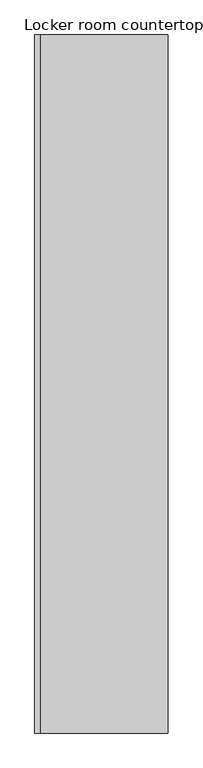
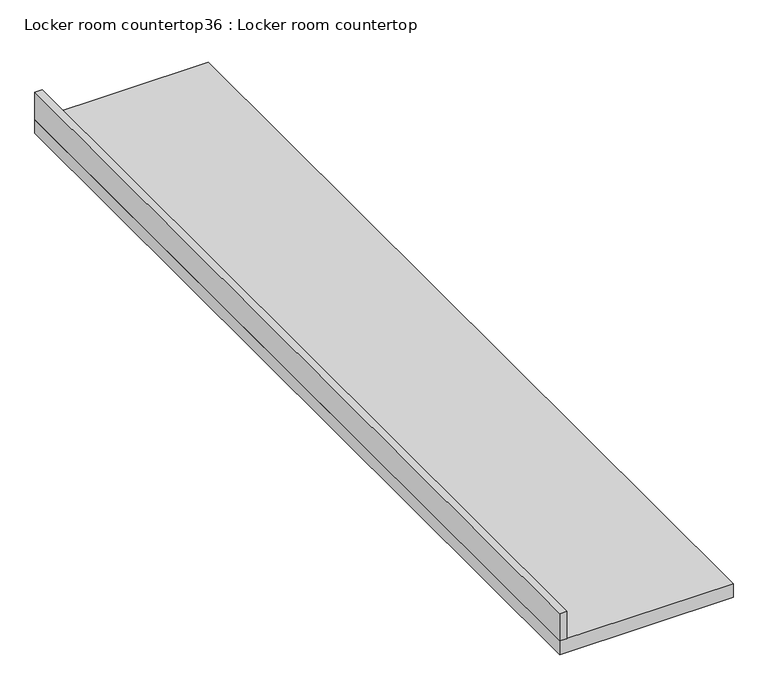
"""IFC4 building model written with IfcOpenShell, lengths in millimetres: furniture geometry, Locker room countertop36 : Locker room countertop."""

from ifc_helpers import new_model, si_unit, frame, origin, place, context, project, spatial, polyline, outline, extrude, source, transform, mapped, element, save


def locker_room_countertop36_locker_room_countertop_64ebfa8d(model_context):
    return source(origin(), model_context, "Body", "SweptSolid", [
        extrude(outline(polyline([(226199.0677962, -255634.6004148), (226199.0677962, -258828.6504148), (226173.6677962, -258828.6504148), (226173.6677962, -255634.6004148), (226199.0677962, -255634.6004148)])), frame((0.0, 0.0, 914.4), z_axis=(0.0, 0.0, 1.0), x_axis=(1.0, 0.0, 0.0)), (0.0, 0.0, 1.0), 101.6),
        extrude(outline(polyline([(226783.2677962, -255634.6004148), (226783.2677962, -258828.6504148), (226173.6677962, -258828.6504148), (226173.6677962, -255634.6004148), (226783.2677962, -255634.6004148)])), frame((0.0, 0.0, 863.6), z_axis=(0.0, 0.0, 1.0), x_axis=(1.0, 0.0, 0.0)), (0.0, 0.0, 1.0), 50.8),
    ])


if __name__ == "__main__":
    model = new_model("IFC4")
    model_context = context("Model", 3, world=origin())
    ifc_project = project(units=[si_unit("LENGTHUNIT", "METRE", prefix="MILLI")], contexts=[model_context])
    site = spatial("IfcSite", under=ifc_project)
    building = spatial("IfcBuilding", under=site)
    placement = place(None, origin())
    locker_room_countertop36_locker_room_countertop_shape = locker_room_countertop36_locker_room_countertop_64ebfa8d(model_context)
    element("IfcFurniture", 1, ObjectType="Locker room countertop36 : Locker room countertop", at=placement, inside=building, context=model_context, shape_type="MappedRepresentation", body=[
        mapped(locker_room_countertop36_locker_room_countertop_shape, transform((0.0, 0.0, 0.0), x_axis=(1.0, 0.0, 0.0), y_axis=(0.0, 1.0, 0.0), z_axis=(0.0, 0.0, 1.0))),
    ])
    save(model, "model.ifc")
